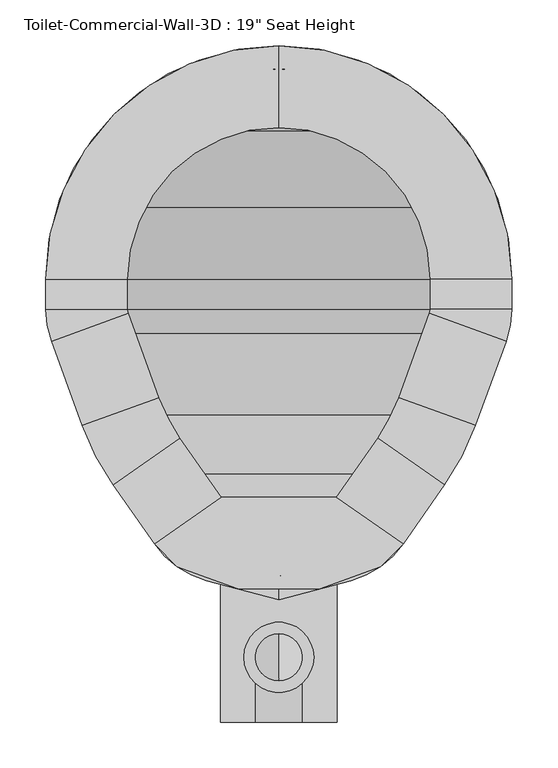
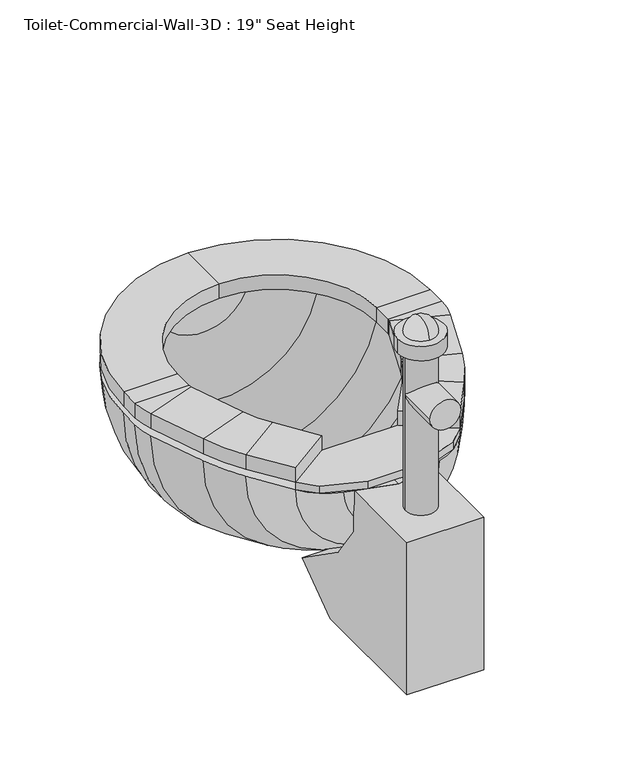
"""IFC4 building model written with IfcOpenShell, lengths in millimetres: flow terminal geometry."""

from ifc_helpers import new_model, si_unit, point, frame, frame_2d, origin, place, context, project, spatial, polyline, circle_curve, ellipse_curve, trimmed, segment, composite_curve, outline, extrude, source, transform, mapped, element, save
from ifc_brep_helpers import plane_surface, cylinder_surface, revolved_surface, advanced_brep


def flow_terminal_5536e1bb(model_context):
    return source(origin(), model_context, "Body", "SolidModel", [
        extrude(outline(polyline([(467.7541169, 332.3472495), (540.5767337, 281.3563043), (515.6262519, 256.4058226), (449.563909, 232.3610961), (360.2423986, 232.3610961), (294.1800557, 256.4058226), (269.229574, 281.3563043), (342.0521907, 332.3472495), (467.7541169, 332.3472495)])), frame((0.0, 0.0, 444.5), z_axis=(0.0, 0.0, 1.0), x_axis=(1.0, 0.0, 0.0)), (0.0, 0.0, 1.0), 12.7),
        advanced_brep(
        [(467.7541169, 332.3472495, 457.2), (540.5767337, 281.3563043, 457.2), (540.5767337, 281.3563043, 482.6), (467.7541169, 332.3472495, 482.6), (512.8583992, 396.7628403, 457.2), (585.6810159, 345.7718951, 457.2), (585.6810159, 345.7718951, 482.6), (512.8583992, 396.7628403, 482.6), (619.360053, 410.4687234, 457.2), (535.821379, 440.8743141, 457.2), (619.360053, 410.4687234, 482.6), (535.821379, 440.8743141, 482.6), (569.2372501, 532.6836654, 457.2), (652.7759241, 502.2780747, 457.2), (652.7759241, 502.2780747, 482.6), (569.2372501, 532.6836654, 482.6), (658.9031538, 537.0273212, 457.2), (570.0031538, 537.0273212, 457.2), (658.9031538, 537.0273212, 482.6), (570.0031538, 537.0273212, 482.6), (570.0031538, 569.9125, 457.2), (658.9031538, 569.9125, 457.2), (658.9031538, 569.9125, 482.6), (570.0031538, 569.9125, 482.6), (404.9031538, 823.9125, 457.2), (404.9031538, 735.0125, 457.2), (404.9031538, 823.9125, 482.6), (404.9031538, 735.0125, 482.6), (150.9031538, 569.9125, 457.2), (239.8031538, 569.9125, 457.2), (150.9031538, 569.9125, 482.6), (239.8031538, 569.9125, 482.6), (239.8031538, 537.0273212, 457.2), (150.9031538, 537.0273212, 457.2), (150.9031538, 537.0273212, 482.6), (239.8031538, 537.0273212, 482.6), (157.0303835, 502.2780747, 457.2), (240.5690575, 532.6836654, 457.2), (157.0303835, 502.2780747, 482.6), (240.5690575, 532.6836654, 482.6), (273.9849286, 440.8743141, 457.2), (190.4462546, 410.4687234, 457.2), (190.4462546, 410.4687234, 482.6), (273.9849286, 440.8743141, 482.6), (224.1252917, 345.7718951, 457.2), (296.9479084, 396.7628403, 457.2), (224.1252917, 345.7718951, 482.6), (296.9479084, 396.7628403, 482.6), (342.0521907, 332.3472495, 457.2), (342.0521907, 332.3472495, 482.6), (269.229574, 281.3563043, 482.6), (269.229574, 281.3563043, 457.2)],
        [
            (0, 1),
            (1, 2),
            (2, 3),
            (3, 0),
            (0, 4),
            (4, 5),
            (5, 1),
            (5, 6),
            (6, 2),
            (6, 7),
            (7, 3),
            (7, 4),
            (8, 5, circle_curve(frame((356.8099347, 506.0291514, 457.2), z_axis=(0.0, 0.0, -1.0), x_axis=(0.81915204428899, -0.5735764363510486, 0.0)), 279.4)),
            (4, 9, circle_curve(frame((356.8099347, 506.0291514, 457.2), z_axis=(0.0, 0.0, 1.0), x_axis=(0.81915204428899, -0.5735764363510486, 0.0)), 190.5)),
            (9, 8),
            (10, 6, circle_curve(frame((356.8099347, 506.0291514, 482.6), z_axis=(0.0, 0.0, -1.0), x_axis=(0.81915204428899, -0.5735764363510486, 0.0)), 279.4)),
            (8, 10),
            (11, 7, circle_curve(frame((356.8099347, 506.0291514, 482.6), z_axis=(0.0, 0.0, -1.0), x_axis=(0.81915204428899, -0.5735764363510486, 0.0)), 190.5)),
            (10, 11),
            (11, 9),
            (9, 12),
            (12, 13),
            (13, 8),
            (13, 14),
            (14, 10),
            (14, 15),
            (15, 11),
            (15, 12),
            (16, 13, circle_curve(frame((557.3031538, 537.0273212, 457.2), z_axis=(0.0, 0.0, -1.0), x_axis=(0.939692620785906, -0.34202014332567526, 0.0)), 101.6)),
            (12, 17, circle_curve(frame((557.3031538, 537.0273212, 457.2), z_axis=(0.0, 0.0, 1.0), x_axis=(0.939692620785906, -0.34202014332567526, 0.0)), 12.7)),
            (17, 16),
            (18, 14, circle_curve(frame((557.3031538, 537.0273212, 482.6), z_axis=(0.0, 0.0, -1.0), x_axis=(0.939692620785906, -0.34202014332567526, 0.0)), 101.6)),
            (16, 18),
            (19, 15, circle_curve(frame((557.3031538, 537.0273212, 482.6), z_axis=(0.0, 0.0, -1.0), x_axis=(0.939692620785906, -0.34202014332567526, 0.0)), 12.7)),
            (18, 19),
            (19, 17),
            (17, 20),
            (20, 21),
            (21, 16),
            (21, 22),
            (22, 18),
            (22, 23),
            (23, 19),
            (23, 20),
            (24, 21, circle_curve(frame((404.9031538, 569.9125, 457.2), z_axis=(0.0, 0.0, -1.0), x_axis=(1.0, 0.0, 0.0)), 254.0)),
            (20, 25, circle_curve(frame((404.9031538, 569.9125, 457.2), z_axis=(0.0, 0.0, 1.0), x_axis=(1.0, 0.0, 0.0)), 165.1)),
            (25, 24),
            (26, 22, circle_curve(frame((404.9031538, 569.9125, 482.6), z_axis=(0.0, 0.0, -1.0), x_axis=(1.0, 0.0, 0.0)), 254.0)),
            (24, 26),
            (27, 23, circle_curve(frame((404.9031538, 569.9125, 482.6), z_axis=(0.0, 0.0, -1.0), x_axis=(1.0, 0.0, 0.0)), 165.1)),
            (26, 27),
            (27, 25),
            (28, 24, circle_curve(frame((404.9031538, 569.9125, 457.2), z_axis=(0.0, 0.0, -1.0), x_axis=(0.0, 1.0, 0.0)), 254.0)),
            (25, 29, circle_curve(frame((404.9031538, 569.9125, 457.2), z_axis=(0.0, 0.0, 1.0), x_axis=(0.0, 1.0, 0.0)), 165.1)),
            (29, 28),
            (30, 26, circle_curve(frame((404.9031538, 569.9125, 482.6), z_axis=(0.0, 0.0, -1.0), x_axis=(0.0, 1.0, 0.0)), 254.0)),
            (28, 30),
            (31, 27, circle_curve(frame((404.9031538, 569.9125, 482.6), z_axis=(0.0, 0.0, -1.0), x_axis=(0.0, 1.0, 0.0)), 165.1)),
            (30, 31),
            (31, 29),
            (29, 32),
            (32, 33),
            (33, 28),
            (33, 34),
            (34, 30),
            (34, 35),
            (35, 31),
            (35, 32),
            (36, 33, circle_curve(frame((252.5031538, 537.0273212, 457.2), z_axis=(0.0, 0.0, -1.0), x_axis=(-1.0, 0.0, 0.0)), 101.6)),
            (32, 37, circle_curve(frame((252.5031538, 537.0273212, 457.2), z_axis=(0.0, 0.0, 1.0), x_axis=(-1.0, 0.0, 0.0)), 12.7)),
            (37, 36),
            (38, 34, circle_curve(frame((252.5031538, 537.0273212, 482.6), z_axis=(0.0, 0.0, -1.0), x_axis=(-1.0, 0.0, 0.0)), 101.6)),
            (36, 38),
            (39, 35, circle_curve(frame((252.5031538, 537.0273212, 482.6), z_axis=(0.0, 0.0, -1.0), x_axis=(-1.0, 0.0, 0.0)), 12.7)),
            (38, 39),
            (39, 37),
            (37, 40),
            (40, 41),
            (41, 36),
            (41, 42),
            (42, 38),
            (42, 43),
            (43, 39),
            (43, 40),
            (44, 41, circle_curve(frame((452.9963729, 506.0291514, 457.2), z_axis=(0.0, 0.0, -1.0), x_axis=(-0.9396926207859088, -0.34202014332566766, 0.0)), 279.4)),
            (40, 45, circle_curve(frame((452.9963729, 506.0291514, 457.2), z_axis=(0.0, 0.0, 1.0), x_axis=(-0.9396926207859088, -0.34202014332566766, 0.0)), 190.5)),
            (45, 44),
            (46, 42, circle_curve(frame((452.9963729, 506.0291514, 482.6), z_axis=(0.0, 0.0, -1.0), x_axis=(-0.9396926207859088, -0.34202014332566766, 0.0)), 279.4)),
            (44, 46),
            (47, 43, circle_curve(frame((452.9963729, 506.0291514, 482.6), z_axis=(0.0, 0.0, -1.0), x_axis=(-0.9396926207859088, -0.34202014332566766, 0.0)), 190.5)),
            (46, 47),
            (47, 45),
            (48, 49),
            (49, 50),
            (50, 51),
            (51, 48),
            (45, 48),
            (51, 44),
            (50, 46),
            (49, 47),
        ],
        [
            plane_surface(frame((540.5767337, 281.3563043, 541.2203184), z_axis=(-0.5735764363510383, -0.8191520442889972, 0.0), x_axis=(0.8191520442889972, -0.5735764363510383, 0.0))),
            plane_surface(frame((467.7541169, 332.3472495, 457.2), z_axis=(0.0, 0.0, -1.0000000000000002), x_axis=(0.5735764363510385, 0.8191520442889972, 0.0))),
            plane_surface(frame((540.5767337, 281.3563043, 457.2), z_axis=(0.8191520442889973, -0.5735764363510382, 0.0), x_axis=(0.5735764363510382, 0.8191520442889973, 0.0))),
            plane_surface(frame((540.5767337, 281.3563043, 482.6), z_axis=(0.0, 0.0, 1.0), x_axis=(0.5735764363510382, 0.8191520442889973, 0.0))),
            plane_surface(frame((467.7541169, 332.3472495, 482.6), z_axis=(-0.8191520442889975, 0.5735764363510379, 0.0), x_axis=(0.5735764363510379, 0.8191520442889975, 0.0))),
            plane_surface(frame((356.8099347, 506.0291514, 457.2), z_axis=(0.0, 0.0, -1.0), x_axis=(0.81915204428899, -0.5735764363510486, 0.0))),
            cylinder_surface(frame((356.8099347, 506.0291514, 444.5), z_axis=(0.0, 0.0, 1.0), x_axis=(0.81915204428899, -0.5735764363510486, 0.0)), 279.4),
            plane_surface(frame((356.8099347, 506.0291514, 482.6), z_axis=(0.0, 0.0, 1.0), x_axis=(0.81915204428899, -0.5735764363510486, 0.0))),
            revolved_surface(polyline([(512.8583991370526, 396.7628402751252, 482.6), (512.8583991370526, 396.7628402751252, 457.2)]), (356.8099347, 506.0291514, 444.5), (0.0, 0.0, 1.0)),
            plane_surface(frame((535.821379, 440.8743141, 457.2), z_axis=(0.0, 0.0, -1.0000000000000002), x_axis=(0.3420201433256652, 0.9396926207859098, 0.0))),
            plane_surface(frame((619.360053, 410.4687234, 457.2), z_axis=(0.9396926207859093, -0.34202014332566616, 0.0), x_axis=(0.34202014332566616, 0.9396926207859093, 0.0))),
            plane_surface(frame((619.360053, 410.4687234, 482.6), z_axis=(0.0, 0.0, 1.0), x_axis=(0.34202014332566616, 0.9396926207859093, 0.0))),
            plane_surface(frame((535.821379, 440.8743141, 482.6), z_axis=(-0.9396926207859098, 0.3420201433256652, 0.0), x_axis=(0.3420201433256652, 0.9396926207859098, 0.0))),
            plane_surface(frame((557.3031538, 537.0273212, 457.2), z_axis=(0.0, 0.0, -1.0), x_axis=(0.939692620785906, -0.34202014332567526, 0.0))),
            cylinder_surface(frame((557.3031538, 537.0273212, 444.5), z_axis=(0.0, 0.0, 1.0), x_axis=(0.939692620785906, -0.34202014332567526, 0.0)), 101.6),
            plane_surface(frame((557.3031538, 537.0273212, 482.6), z_axis=(0.0, 0.0, 1.0), x_axis=(0.939692620785906, -0.34202014332567526, 0.0))),
            revolved_surface(polyline([(569.237250083981, 532.6836653797639, 482.6), (569.237250083981, 532.6836653797639, 457.2)]), (557.3031538, 537.0273212, 444.5), (0.0, 0.0, 1.0)),
            plane_surface(frame((570.0031538, 537.0273212, 457.2), z_axis=(0.0, 0.0, -1.0), x_axis=(0.0, 1.0, 0.0))),
            plane_surface(frame((658.9031538, 537.0273212, 457.2), z_axis=(1.0, 0.0, 0.0), x_axis=(0.0, 1.0, 0.0))),
            plane_surface(frame((658.9031538, 537.0273212, 482.6), z_axis=(0.0, 0.0, 1.0), x_axis=(0.0, 1.0, 0.0))),
            plane_surface(frame((570.0031538, 537.0273212, 482.6), z_axis=(-1.0, 0.0, 0.0), x_axis=(0.0, 1.0, 0.0))),
            plane_surface(frame((404.9031538, 569.9125, 457.2), z_axis=(0.0, 0.0, -1.0), x_axis=(1.0, 0.0, 0.0))),
            cylinder_surface(frame((404.9031538, 569.9125, 444.5), z_axis=(0.0, 0.0, 1.0), x_axis=(1.0, 0.0, 0.0)), 254.0),
            plane_surface(frame((404.9031538, 569.9125, 482.6), z_axis=(0.0, 0.0, 1.0), x_axis=(1.0, 0.0, 0.0))),
            revolved_surface(polyline([(570.0031538, 569.9125, 482.6), (570.0031538, 569.9125, 457.2)]), (404.9031538, 569.9125, 444.5), (0.0, 0.0, 1.0)),
            plane_surface(frame((404.9031538, 569.9125, 457.2), z_axis=(0.0, 0.0, -1.0), x_axis=(0.0, 1.0, 0.0))),
            cylinder_surface(frame((404.9031538, 569.9125, 444.5), z_axis=(0.0, 0.0, 1.0), x_axis=(0.0, 1.0, 0.0)), 254.0),
            plane_surface(frame((404.9031538, 569.9125, 482.6), z_axis=(0.0, 0.0, 1.0), x_axis=(0.0, 1.0, 0.0))),
            revolved_surface(polyline([(404.9031538, 735.0125, 482.6), (404.9031538, 735.0125, 457.2)]), (404.9031538, 569.9125, 444.5), (0.0, 0.0, 1.0)),
            plane_surface(frame((239.8031538, 569.9125, 457.2), z_axis=(0.0, 0.0, -1.0), x_axis=(0.0, -1.0, 0.0))),
            plane_surface(frame((150.9031538, 569.9125, 457.2), z_axis=(-1.0, 0.0, 0.0), x_axis=(0.0, -1.0, 0.0))),
            plane_surface(frame((150.9031538, 569.9125, 482.6), z_axis=(0.0, 0.0, 1.0), x_axis=(0.0, -1.0, 0.0))),
            plane_surface(frame((239.8031538, 569.9125, 482.6), z_axis=(1.0, 0.0, 0.0), x_axis=(0.0, -1.0, 0.0))),
            plane_surface(frame((252.5031538, 537.0273212, 457.2), z_axis=(0.0, 0.0, -1.0), x_axis=(-1.0, 0.0, 0.0))),
            cylinder_surface(frame((252.5031538, 537.0273212, 444.5), z_axis=(0.0, 0.0, 1.0), x_axis=(-1.0, 0.0, 0.0)), 101.6),
            plane_surface(frame((252.5031538, 537.0273212, 482.6), z_axis=(0.0, 0.0, 1.0), x_axis=(-1.0, 0.0, 0.0))),
            revolved_surface(polyline([(239.80315380000002, 537.0273212, 482.6), (239.80315380000002, 537.0273212, 457.2)]), (252.5031538, 537.0273212, 444.5), (0.0, 0.0, 1.0)),
            plane_surface(frame((240.5690575, 532.6836654, 457.2), z_axis=(0.0, 0.0, -1.0), x_axis=(0.3420201433256562, -0.939692620785913, 0.0))),
            plane_surface(frame((157.0303835, 502.2780747, 457.2), z_axis=(-0.939692620785913, -0.34202014332565617, 0.0), x_axis=(0.34202014332565617, -0.939692620785913, 0.0))),
            plane_surface(frame((157.0303835, 502.2780747, 482.6), z_axis=(0.0, 0.0, 1.0), x_axis=(0.3420201433256559, -0.9396926207859131, 0.0))),
            plane_surface(frame((240.5690575, 532.6836654, 482.6), z_axis=(0.939692620785913, 0.3420201433256562, 0.0), x_axis=(0.3420201433256562, -0.939692620785913, 0.0))),
            plane_surface(frame((452.9963729, 506.0291514, 457.2), z_axis=(0.0, 0.0, -1.0), x_axis=(-0.9396926207859088, -0.34202014332566766, 0.0))),
            cylinder_surface(frame((452.9963729, 506.0291514, 444.5), z_axis=(0.0, 0.0, 1.0), x_axis=(-0.9396926207859088, -0.34202014332566766, 0.0)), 279.4),
            plane_surface(frame((452.9963729, 506.0291514, 482.6), z_axis=(0.0, 0.0, 1.0), x_axis=(-0.9396926207859088, -0.34202014332566766, 0.0))),
            revolved_surface(polyline([(273.98492864028435, 440.8743140964603, 482.6), (273.98492864028435, 440.8743140964603, 457.2)]), (452.9963729, 506.0291514, 444.5), (0.0, 0.0, 1.0)),
            plane_surface(frame((269.229574, 281.3563043, 347.7796816), z_axis=(0.5735764363510499, -0.8191520442889891, 0.0), x_axis=(0.8191520442889891, 0.5735764363510499, 0.0))),
            plane_surface(frame((296.9479084, 396.7628403, 457.2), z_axis=(0.0, 0.0, -1.0000000000000002), x_axis=(0.57357643635105, -0.8191520442889891, 0.0))),
            plane_surface(frame((224.1252917, 345.7718951, 457.2), z_axis=(-0.819152044288989, -0.5735764363510502, 0.0), x_axis=(0.5735764363510502, -0.819152044288989, 0.0))),
            plane_surface(frame((224.1252917, 345.7718951, 482.6), z_axis=(0.0, 0.0, 1.0000000000000002), x_axis=(0.5735764363510502, -0.819152044288989, 0.0))),
            plane_surface(frame((296.9479084, 396.7628403, 482.6), z_axis=(0.8191520442889891, 0.57357643635105, 0.0), x_axis=(0.57357643635105, -0.8191520442889891, 0.0))),
        ],
        [
            (0, [[1, 2, 3, 4]]),
            (1, [[-1, 5, 6, 7]]),
            (2, [[-2, -7, 8, 9]]),
            (3, [[-3, -9, 10, 11]]),
            (4, [[-4, -11, 12, -5]]),
            (5, [[13, -6, 14, 15]]),
            (6, [[16, -8, -13, 17]]),
            (7, [[18, -10, -16, 19]]),
            (8, [[-14, -12, -18, 20]]),
            (9, [[-15, 21, 22, 23]]),
            (10, [[-17, -23, 24, 25]]),
            (11, [[-19, -25, 26, 27]]),
            (12, [[-20, -27, 28, -21]]),
            (13, [[29, -22, 30, 31]]),
            (14, [[32, -24, -29, 33]]),
            (15, [[34, -26, -32, 35]]),
            (16, [[-30, -28, -34, 36]]),
            (17, [[-31, 37, 38, 39]]),
            (18, [[-33, -39, 40, 41]]),
            (19, [[-35, -41, 42, 43]]),
            (20, [[-36, -43, 44, -37]]),
            (21, [[45, -38, 46, 47]]),
            (22, [[48, -40, -45, 49]]),
            (23, [[50, -42, -48, 51]]),
            (24, [[-46, -44, -50, 52]]),
            (25, [[53, -47, 54, 55]]),
            (26, [[56, -49, -53, 57]]),
            (27, [[58, -51, -56, 59]]),
            (28, [[-54, -52, -58, 60]]),
            (29, [[-55, 61, 62, 63]]),
            (30, [[-57, -63, 64, 65]]),
            (31, [[-59, -65, 66, 67]]),
            (32, [[-60, -67, 68, -61]]),
            (33, [[69, -62, 70, 71]]),
            (34, [[72, -64, -69, 73]]),
            (35, [[74, -66, -72, 75]]),
            (36, [[-70, -68, -74, 76]]),
            (37, [[-71, 77, 78, 79]]),
            (38, [[-73, -79, 80, 81]]),
            (39, [[-75, -81, 82, 83]]),
            (40, [[-76, -83, 84, -77]]),
            (41, [[85, -78, 86, 87]]),
            (42, [[88, -80, -85, 89]]),
            (43, [[90, -82, -88, 91]]),
            (44, [[-86, -84, -90, 92]]),
            (45, [[93, 94, 95, 96]]),
            (46, [[-87, 97, -96, 98]]),
            (47, [[-89, -98, -95, 99]]),
            (48, [[-91, -99, -94, 100]]),
            (49, [[-92, -100, -93, -97]]),
        ],
    ),
        advanced_brep(
        [(491.7762702, 808.5944257, 444.5), (404.9031538, 823.9125, 444.5), (404.9031538, 798.5125, 444.5), (483.0889586, 784.7262331, 444.5), (566.547764, 731.5571102, 444.5), (619.7168869, 648.0983048, 444.5), (633.5031538, 569.9125, 444.5), (633.5031538, 537.0273212, 444.5), (628.9077315, 510.9653863, 444.5), (596.6355667, 422.2983422, 444.5), (562.9565296, 357.6015139, 444.5), (525.0728964, 303.4980786, 444.5), (468.1430637, 263.6353806, 444.5), (404.9031538, 246.6902978, 444.5), (404.9031538, 220.3942829, 444.5), (483.6469009, 241.4936063, 444.5), (540.5767337, 281.3563043, 444.5), (585.6810159, 345.7718951, 444.5), (619.360053, 410.4687234, 444.5), (652.7759241, 502.2780747, 444.5), (658.9031538, 537.0273212, 444.5), (658.9031538, 569.9125, 444.5), (643.5850795, 656.7856164, 444.5), (584.5082762, 749.5176224, 444.5), (318.0300374, 808.5944257, 444.5), (225.2980314, 749.5176224, 444.5), (166.2212281, 656.7856164, 444.5), (150.9031538, 569.9125, 444.5), (150.9031538, 537.0273212, 444.5), (157.0303835, 502.2780747, 444.5), (190.4462546, 410.4687234, 444.5), (224.1252917, 345.7718951, 444.5), (269.229574, 281.3563043, 444.5), (326.1594067, 241.4936063, 444.5), (341.663244, 263.6353806, 444.5), (284.7334112, 303.4980786, 444.5), (246.849778, 357.6015139, 444.5), (213.1707409, 422.2983422, 444.5), (180.8985761, 510.9653863, 444.5), (176.3031538, 537.0273212, 444.5), (176.3031538, 569.9125, 444.5), (190.0894207, 648.0983048, 444.5), (243.2585436, 731.5571102, 444.5), (326.7173491, 784.7262331, 444.5)],
        [
            (0, 1, circle_curve(frame((404.9031538, 569.9125, 444.5), z_axis=(0.0, 0.0, 1.0), x_axis=(1.0, 0.0, 0.0)), 254.0)),
            (1, 2),
            (2, 3, circle_curve(frame((404.9031538, 569.9125, 444.5), z_axis=(0.0, 0.0, -1.0), x_axis=(1.0, 0.0, 0.0)), 228.6)),
            (3, 4, circle_curve(frame((404.9031538, 569.9125, 444.5), z_axis=(0.0, 0.0, -1.0), x_axis=(1.0, 0.0, 0.0)), 228.6)),
            (4, 5, circle_curve(frame((404.9031538, 569.9125, 444.5), z_axis=(0.0, 0.0, -1.0), x_axis=(1.0, 0.0, 0.0)), 228.6)),
            (5, 6, circle_curve(frame((404.9031538, 569.9125, 444.5), z_axis=(0.0, 0.0, -1.0), x_axis=(1.0, 0.0, 0.0)), 228.6)),
            (6, 7),
            (7, 8, circle_curve(frame((557.3031538, 537.0273212, 444.5), z_axis=(0.0, 0.0, -1.0), x_axis=(1.0, 0.0, 0.0)), 76.2)),
            (8, 9),
            (9, 10, circle_curve(frame((334.0854485, 517.8587703, 444.5), z_axis=(0.0, 0.0, -1.0), x_axis=(1.0, 0.0, 0.0)), 279.4)),
            (10, 11),
            (11, 12, circle_curve(frame((441.8470487, 361.7734446, 444.5), z_axis=(0.0, 0.0, -1.0), x_axis=(1.0, 0.0, 0.0)), 101.6)),
            (12, 13),
            (13, 14),
            (14, 15),
            (15, 16, circle_curve(frame((457.350886, 339.6316703, 444.5), z_axis=(0.0, 0.0, 1.0), x_axis=(1.0, 0.0, 0.0)), 101.6)),
            (16, 17),
            (17, 18, circle_curve(frame((356.8099347, 506.0291514, 444.5), z_axis=(0.0, 0.0, 1.0), x_axis=(1.0, 0.0, 0.0)), 279.4)),
            (18, 19),
            (19, 20, circle_curve(frame((557.3031538, 537.0273212, 444.5), z_axis=(0.0, 0.0, 1.0), x_axis=(1.0, 0.0, 0.0)), 101.6)),
            (20, 21),
            (21, 22, circle_curve(frame((404.9031538, 569.9125, 444.5), z_axis=(0.0, 0.0, 1.0), x_axis=(1.0, 0.0, 0.0)), 254.0)),
            (22, 23, circle_curve(frame((404.9031538, 569.9125, 444.5), z_axis=(0.0, 0.0, 1.0), x_axis=(1.0, 0.0, 0.0)), 254.0)),
            (23, 0, circle_curve(frame((404.9031538, 569.9125, 444.5), z_axis=(0.0, 0.0, 1.0), x_axis=(1.0, 0.0, 0.0)), 254.0)),
            (24, 25, circle_curve(frame((404.9031538, 569.9125, 444.5), z_axis=(0.0, 0.0, 1.0), x_axis=(-1.0, 0.0, 0.0)), 254.0)),
            (25, 26, circle_curve(frame((404.9031538, 569.9125, 444.5), z_axis=(0.0, 0.0, 1.0), x_axis=(-1.0, 0.0, 0.0)), 254.0)),
            (26, 27, circle_curve(frame((404.9031538, 569.9125, 444.5), z_axis=(0.0, 0.0, 1.0), x_axis=(-1.0, 0.0, 0.0)), 254.0)),
            (27, 28),
            (28, 29, circle_curve(frame((252.5031538, 537.0273212, 444.5), z_axis=(0.0, 0.0, 1.0), x_axis=(-1.0, 0.0, 0.0)), 101.6)),
            (29, 30),
            (30, 31, circle_curve(frame((452.9963729, 506.0291514, 444.5), z_axis=(0.0, 0.0, 1.0), x_axis=(-1.0, 0.0, 0.0)), 279.4)),
            (31, 32),
            (32, 33, circle_curve(frame((352.4554217, 339.6316703, 444.5), z_axis=(0.0, 0.0, 1.0), x_axis=(-1.0, 0.0, 0.0)), 101.6)),
            (33, 14),
            (13, 34),
            (34, 35, circle_curve(frame((367.9592589, 361.7734446, 444.5), z_axis=(0.0, 0.0, -1.0), x_axis=(-1.0, 0.0, 0.0)), 101.6)),
            (35, 36),
            (36, 37, circle_curve(frame((475.7208592, 517.8587703, 444.5), z_axis=(0.0, 0.0, -1.0), x_axis=(-1.0, 0.0, 0.0)), 279.4)),
            (37, 38),
            (38, 39, circle_curve(frame((252.5031538, 537.0273212, 444.5), z_axis=(0.0, 0.0, -1.0), x_axis=(-1.0, 0.0, 0.0)), 76.2)),
            (39, 40),
            (40, 41, circle_curve(frame((404.9031538, 569.9125, 444.5), z_axis=(0.0, 0.0, -1.0), x_axis=(-1.0, 0.0, 0.0)), 228.6)),
            (41, 42, circle_curve(frame((404.9031538, 569.9125, 444.5), z_axis=(0.0, 0.0, -1.0), x_axis=(-1.0, 0.0, 0.0)), 228.6)),
            (42, 43, circle_curve(frame((404.9031538, 569.9125, 444.5), z_axis=(0.0, 0.0, -1.0), x_axis=(-1.0, 0.0, 0.0)), 228.6)),
            (43, 2, circle_curve(frame((404.9031538, 569.9125, 444.5), z_axis=(0.0, 0.0, -1.0), x_axis=(-1.0, 0.0, 0.0)), 228.6)),
            (1, 24, circle_curve(frame((404.9031538, 569.9125, 444.5), z_axis=(0.0, 0.0, 1.0), x_axis=(-1.0, 0.0, 0.0)), 254.0)),
            (0, 24, circle_curve(frame((404.9031538, 808.5944257, 444.5), z_axis=(0.0, 1.0, 0.0), x_axis=(1.0, 0.0, 0.0)), 86.8731164)),
            (43, 3, circle_curve(frame((404.9031538, 784.7262331, 444.5), z_axis=(0.0, -1.0, 0.0), x_axis=(1.0, 0.0, 0.0)), 78.1858048)),
            (42, 4, circle_curve(frame((404.9031538, 731.5571102, 444.5), z_axis=(0.0, -1.0, 0.0), x_axis=(1.0, 0.0, 0.0)), 161.6446102)),
            (41, 5, circle_curve(frame((404.9031538, 648.0983048, 444.5), z_axis=(0.0, -1.0, 0.0), x_axis=(1.0, 0.0, 0.0)), 214.8137331)),
            (40, 6, circle_curve(frame((404.9031538, 569.9125, 444.5), z_axis=(0.0, -1.0, 0.0), x_axis=(1.0, 0.0, 0.0)), 228.6)),
            (39, 7, circle_curve(frame((404.9031538, 537.0273212, 444.5), z_axis=(0.0, -1.0, 0.0), x_axis=(1.0, 0.0, 0.0)), 228.6)),
            (38, 8, circle_curve(frame((404.9031538, 510.9653863, 444.5), z_axis=(0.0, -1.0, 0.0), x_axis=(1.0, 0.0, 0.0)), 224.0045777)),
            (37, 9, circle_curve(frame((404.9031538, 422.2983422, 444.5), z_axis=(0.0, -1.0, 0.0), x_axis=(1.0, 0.0, 0.0)), 191.7324129)),
            (36, 10, circle_curve(frame((404.9031538, 357.6015139, 444.5), z_axis=(0.0, -1.0, 0.0), x_axis=(1.0, 0.0, 0.0)), 158.0533758)),
            (35, 11, circle_curve(frame((404.9031538, 303.4980786, 444.5), z_axis=(0.0, -1.0, 0.0), x_axis=(1.0, 0.0, 0.0)), 120.1697426)),
            (34, 12, circle_curve(frame((404.9031538, 263.6353806, 444.5), z_axis=(0.0, -1.0, 0.0), x_axis=(1.0, 0.0, 0.0)), 63.2399099)),
            (33, 15, circle_curve(frame((404.9031538, 241.4936063, 444.5), z_axis=(0.0, -1.0, 0.0), x_axis=(1.0, 0.0, 0.0)), 78.7437471)),
            (32, 16, circle_curve(frame((404.9031538, 281.3563043, 444.5), z_axis=(0.0, -1.0, 0.0), x_axis=(1.0, 0.0, 0.0)), 135.6735798)),
            (31, 17, circle_curve(frame((404.9031538, 345.7718951, 444.5), z_axis=(0.0, -1.0, 0.0), x_axis=(1.0, 0.0, 0.0)), 180.7778621)),
            (30, 18, circle_curve(frame((404.9031538, 410.4687234, 444.5), z_axis=(0.0, -1.0, 0.0), x_axis=(1.0, 0.0, 0.0)), 214.4568992)),
            (29, 19, circle_curve(frame((404.9031538, 502.2780747, 444.5), z_axis=(0.0, -1.0, 0.0), x_axis=(1.0, 0.0, 0.0)), 247.8727703)),
            (28, 20, circle_curve(frame((404.9031538, 537.0273212, 444.5), z_axis=(0.0, -1.0, 0.0), x_axis=(1.0, 0.0, 0.0)), 254.0)),
            (27, 21, circle_curve(frame((404.9031538, 569.9125, 444.5), z_axis=(0.0, -1.0, 0.0), x_axis=(1.0, 0.0, 0.0)), 254.0)),
            (26, 22, circle_curve(frame((404.9031538, 656.7856164, 444.5), z_axis=(0.0, -1.0, 0.0), x_axis=(1.0, 0.0, 0.0)), 238.6819257)),
            (25, 23, circle_curve(frame((404.9031538, 749.5176224, 444.5), z_axis=(0.0, -1.0, 0.0), x_axis=(1.0, 0.0, 0.0)), 179.6051224)),
        ],
        [
            plane_surface(frame((404.9031538, 929.1227448, 444.5), z_axis=(0.0, 0.0, 1.0), x_axis=(1.0, 0.0, 0.0))),
            plane_surface(frame((404.9031538, 929.1227448, 444.5), z_axis=(0.0, 0.0, 1.0), x_axis=(-1.0, 0.0, 0.0))),
            revolved_surface(trimmed(ellipse_curve(frame((404.9031538, 569.9125, 444.5), z_axis=(0.0, 0.0, 1.0), x_axis=(1.0, 0.0, 0.0)), 254.0, 254.0), [point((491.7762702, 808.5944257, 444.5))], [point((404.9031538, 823.9125, 444.5))], True, "CARTESIAN"), (404.9031538, 929.1227448, 444.5), (0.0, 1.0, 0.0)),
            revolved_surface(trimmed(ellipse_curve(frame((404.9031538, 569.9125, 444.5), z_axis=(0.0, 0.0, -1.0), x_axis=(1.0, 0.0, 0.0)), 228.6, 228.6), [point((404.9031538, 798.5125, 444.5))], [point((483.0889586, 784.7262331, 444.5))], True, "CARTESIAN"), (404.9031538, 929.1227448, 444.5), (0.0, 1.0, 0.0)),
            revolved_surface(trimmed(ellipse_curve(frame((404.9031538, 569.9125, 444.5), z_axis=(0.0, 0.0, -1.0), x_axis=(1.0, 0.0, 0.0)), 228.6, 228.6), [point((483.0889586, 784.7262331, 444.5))], [point((566.547764, 731.5571102, 444.5))], True, "CARTESIAN"), (404.9031538, 929.1227448, 444.5), (0.0, 1.0, 0.0)),
            revolved_surface(trimmed(ellipse_curve(frame((404.9031538, 569.9125, 444.5), z_axis=(0.0, 0.0, -1.0), x_axis=(1.0, 0.0, 0.0)), 228.6, 228.6), [point((566.547764, 731.5571102, 444.5))], [point((619.7168869, 648.0983048, 444.5))], True, "CARTESIAN"), (404.9031538, 929.1227448, 444.5), (0.0, 1.0, 0.0)),
            revolved_surface(trimmed(ellipse_curve(frame((404.9031538, 569.9125, 444.5), z_axis=(0.0, 0.0, -1.0), x_axis=(1.0, 0.0, 0.0)), 228.6, 228.6), [point((619.7168869, 648.0983048, 444.5))], [point((633.5031538, 569.9125, 444.5))], True, "CARTESIAN"), (404.9031538, 929.1227448, 444.5), (0.0, 1.0, 0.0)),
            revolved_surface(polyline([(633.5031538, 569.9125, 444.5), (633.5031538, 537.0273212, 444.5)]), (404.9031538, 929.1227448, 444.5), (0.0, 1.0, 0.0)),
            revolved_surface(trimmed(ellipse_curve(frame((557.3031538, 537.0273212, 444.5), z_axis=(0.0, 0.0, -1.0), x_axis=(1.0, 0.0, 0.0)), 76.2, 76.2), [point((633.5031538, 537.0273212, 444.5))], [point((628.9077315, 510.9653863, 444.5))], True, "CARTESIAN"), (404.9031538, 929.1227448, 444.5), (0.0, 1.0, 0.0)),
            revolved_surface(polyline([(628.9077315, 510.9653863, 444.5), (596.6355667, 422.2983422, 444.5)]), (404.9031538, 929.1227448, 444.5), (0.0, 1.0, 0.0)),
            revolved_surface(trimmed(ellipse_curve(frame((334.0854485, 517.8587703, 444.5), z_axis=(0.0, 0.0, -1.0), x_axis=(1.0, 0.0, 0.0)), 279.4, 279.4), [point((596.6355667, 422.2983422, 444.5))], [point((562.9565296, 357.6015139, 444.5))], True, "CARTESIAN"), (404.9031538, 929.1227448, 444.5), (0.0, 1.0, 0.0)),
            revolved_surface(polyline([(562.9565296, 357.6015139, 444.5), (525.0728964, 303.4980786, 444.5)]), (404.9031538, 929.1227448, 444.5), (0.0, 1.0, 0.0)),
            revolved_surface(trimmed(ellipse_curve(frame((441.8470487, 361.7734446, 444.5), z_axis=(0.0, 0.0, -1.0), x_axis=(1.0, 0.0, 0.0)), 101.6, 101.6), [point((525.0728964, 303.4980786, 444.5))], [point((468.1430637, 263.6353806, 444.5))], True, "CARTESIAN"), (404.9031538, 929.1227448, 444.5), (0.0, 1.0, 0.0)),
            revolved_surface(polyline([(468.1430637, 263.6353806, 444.5), (404.9031538, 246.6902978, 444.5)]), (404.9031538, 929.1227448, 444.5), (0.0, 1.0, 0.0)),
            revolved_surface(polyline([(404.9031538, 220.3942829, 444.5), (483.6469009, 241.4936063, 444.5)]), (404.9031538, 929.1227448, 444.5), (0.0, 1.0, 0.0)),
            revolved_surface(trimmed(ellipse_curve(frame((457.350886, 339.6316703, 444.5), z_axis=(0.0, 0.0, 1.0), x_axis=(1.0, 0.0, 0.0)), 101.6, 101.6), [point((483.6469009, 241.4936063, 444.5))], [point((540.5767337, 281.3563043, 444.5))], True, "CARTESIAN"), (404.9031538, 929.1227448, 444.5), (0.0, 1.0, 0.0)),
            revolved_surface(polyline([(540.5767337, 281.3563043, 444.5), (585.6810159, 345.7718951, 444.5)]), (404.9031538, 929.1227448, 444.5), (0.0, 1.0, 0.0)),
            revolved_surface(trimmed(ellipse_curve(frame((356.8099347, 506.0291514, 444.5), z_axis=(0.0, 0.0, 1.0), x_axis=(1.0, 0.0, 0.0)), 279.4, 279.4), [point((585.6810159, 345.7718951, 444.5))], [point((619.360053, 410.4687234, 444.5))], True, "CARTESIAN"), (404.9031538, 929.1227448, 444.5), (0.0, 1.0, 0.0)),
            revolved_surface(polyline([(619.360053, 410.4687234, 444.5), (652.7759241, 502.2780747, 444.5)]), (404.9031538, 929.1227448, 444.5), (0.0, 1.0, 0.0)),
            revolved_surface(trimmed(ellipse_curve(frame((557.3031538, 537.0273212, 444.5), z_axis=(0.0, 0.0, 1.0), x_axis=(1.0, 0.0, 0.0)), 101.6, 101.6), [point((652.7759241, 502.2780747, 444.5))], [point((658.9031538, 537.0273212, 444.5))], True, "CARTESIAN"), (404.9031538, 929.1227448, 444.5), (0.0, 1.0, 0.0)),
            cylinder_surface(frame((404.9031538, 929.1227448, 444.5), z_axis=(0.0, 1.0, 0.0), x_axis=(1.0, 0.0, 0.0)), 254.0),
            revolved_surface(trimmed(ellipse_curve(frame((404.9031538, 569.9125, 444.5), z_axis=(0.0, 0.0, 1.0), x_axis=(1.0, 0.0, 0.0)), 254.0, 254.0), [point((658.9031538, 569.9125, 444.5))], [point((643.5850795, 656.7856164, 444.5))], True, "CARTESIAN"), (404.9031538, 929.1227448, 444.5), (0.0, 1.0, 0.0)),
            revolved_surface(trimmed(ellipse_curve(frame((404.9031538, 569.9125, 444.5), z_axis=(0.0, 0.0, 1.0), x_axis=(1.0, 0.0, 0.0)), 254.0, 254.0), [point((643.5850795, 656.7856164, 444.5))], [point((584.5082762, 749.5176224, 444.5))], True, "CARTESIAN"), (404.9031538, 929.1227448, 444.5), (0.0, 1.0, 0.0)),
            revolved_surface(trimmed(ellipse_curve(frame((404.9031538, 569.9125, 444.5), z_axis=(0.0, 0.0, 1.0), x_axis=(1.0, 0.0, 0.0)), 254.0, 254.0), [point((584.5082762, 749.5176224, 444.5))], [point((491.7762702, 808.5944257, 444.5))], True, "CARTESIAN"), (404.9031538, 929.1227448, 444.5), (0.0, 1.0, 0.0)),
        ],
        [
            (0, [[1, 2, 3, 4, 5, 6, 7, 8, 9, 10, 11, 12, 13, 14, 15, 16, 17, 18, 19, 20, 21, 22, 23, 24]]),
            (1, [[25, 26, 27, 28, 29, 30, 31, 32, 33, 34, -14, 35, 36, 37, 38, 39, 40, 41, 42, 43, 44, 45, -2, 46]]),
            (2, [[-1, 47, -46]]),
            (3, [[48, -3, -45]]),
            (4, [[49, -4, -48, -44]]),
            (5, [[50, -5, -49, -43]]),
            (6, [[51, -6, -50, -42]]),
            (7, [[52, -7, -51, -41]]),
            (8, [[53, -8, -52, -40]]),
            (9, [[54, -9, -53, -39]]),
            (10, [[55, -10, -54, -38]]),
            (11, [[56, -11, -55, -37]]),
            (12, [[57, -12, -56, -36]]),
            (13, [[-13, -57, -35]]),
            (14, [[58, -15, -34]]),
            (15, [[59, -16, -58, -33]]),
            (16, [[60, -17, -59, -32]]),
            (17, [[61, -18, -60, -31]]),
            (18, [[62, -19, -61, -30]]),
            (19, [[63, -20, -62, -29]]),
            (20, [[64, -21, -63, -28]]),
            (21, [[65, -22, -64, -27]]),
            (22, [[66, -23, -65, -26]]),
            (23, [[-47, -24, -66, -25]]),
        ],
    ),
        advanced_brep(
        [(404.9031538, 132.2301912, 749.3), (404.9031538, 183.4653563, 749.3), (404.9031538, 157.8477737, 774.9175826), (404.9031538, 157.8477737, 749.3)],
        [
            (0, 1, circle_curve(frame((404.9031538, 157.8477737, 749.3), z_axis=(0.0, 0.0, 1.0), x_axis=(0.0, 1.0, 0.0)), 25.6175826)),
            (1, 2, circle_curve(frame((404.9031538, 157.8477737, 749.3), z_axis=(1.0, 0.0, 0.0), x_axis=(0.0, -1.0, 0.0)), 25.6175826)),
            (2, 0, circle_curve(frame((404.9031538, 157.8477737, 749.3), z_axis=(1.0, 0.0, 0.0), x_axis=(0.0, 1.0, 0.0)), 25.6175826)),
            (1, 0, circle_curve(frame((404.9031538, 157.8477737, 749.3), z_axis=(0.0, 0.0, 1.0), x_axis=(0.0, 1.0, 0.0)), 25.6175826)),
            (3, 1),
            (0, 3),
        ],
        [
            revolved_surface(trimmed(ellipse_curve(frame((404.9031538, 157.8477737, 749.3), z_axis=(-1.0, 0.0, 0.0), x_axis=(0.0, -1.0, 0.0)), 25.6175826, 25.6175826), [point((404.9031538, 157.8477737, 774.9175826))], [point((404.9031538, 183.4653563, 749.3))], True, "CARTESIAN"), (404.9031538, 157.8477737, 813.9277273), (0.0, 0.0, -1.0)),
            plane_surface(frame((404.9031538, 157.8477737, 749.3), z_axis=(0.0, 0.0, -1.0), x_axis=(0.0, 1.0, 0.0))),
        ],
        [
            (0, [[1, 2, 3]]),
            (0, [[4, -3, -2]]),
            (1, [[5, -1, 6]]),
            (1, [[-6, -4, -5]]),
        ],
    ),
        extrude(outline(composite_curve([segment(trimmed(circle_curve(frame_2d((404.9031538, 157.8477737)), 38.1), [point((366.8031538, 157.8477737))], [point((443.0031538, 157.8477737))], False, "CARTESIAN"), True, "CONTINUOUS"), segment(trimmed(circle_curve(frame_2d((404.9031538, 157.8477737)), 38.1), [point((443.0031538, 157.8477737))], [point((366.8031538, 157.8477737))], False, "CARTESIAN"), True, "CONTINUOUS")], self_intersect=False)), frame((0.0, 0.0, 723.9), z_axis=(0.0, 0.0, 1.0), x_axis=(1.0, 0.0, 0.0)), (0.0, 0.0, 1.0), 25.4),
        extrude(outline(composite_curve([segment(trimmed(circle_curve(frame_2d((645.8113641, 404.9031538)), 25.4), [point((645.8113641, 379.5031538))], [point((645.8113641, 430.3031538))], False, "CARTESIAN"), True, "CONTINUOUS"), segment(trimmed(circle_curve(frame_2d((645.8113641, 404.9031538)), 25.4), [point((645.8113641, 430.3031538))], [point((645.8113641, 379.5031538))], False, "CARTESIAN"), True, "CONTINUOUS")], self_intersect=False)), frame((0.0, 87.3125, 0.0), z_axis=(0.0, 1.0, 0.0), x_axis=(0.0, 0.0, 1.0)), (0.0, 0.0, 1.0), 70.64375),
        extrude(outline(composite_curve([segment(trimmed(circle_curve(frame_2d((404.9031538, 157.8477737)), 25.4), [point((379.5031538, 157.8477737))], [point((430.3031538, 157.8477737))], False, "CARTESIAN"), True, "CONTINUOUS"), segment(trimmed(circle_curve(frame_2d((404.9031538, 157.8477737)), 25.4), [point((430.3031538, 157.8477737))], [point((379.5031538, 157.8477737))], False, "CARTESIAN"), True, "CONTINUOUS")], self_intersect=False)), frame((0.0, 0.0, 444.5), z_axis=(0.0, 0.0, 1.0), x_axis=(1.0, 0.0, 0.0)), (0.0, 0.0, 1.0), 279.4),
        extrude(outline(polyline([(240.1162941, 444.5), (240.1162941, 370.896452), (283.8228185, 308.4770663), (387.8551282, 235.6328588), (307.3579017, 177.8), (87.3125, 177.8), (87.3125, 444.5), (240.1162941, 444.5)])), frame((341.4031538, 0.0, 0.0), z_axis=(1.0, 0.0, 0.0), x_axis=(0.0, 1.0, 0.0)), (0.0, 0.0, 1.0), 127.0),
    ])


if __name__ == "__main__":
    model = new_model("IFC4")
    model_context = context("Model", 3, world=origin())
    ifc_project = project(units=[si_unit("LENGTHUNIT", "METRE", prefix="MILLI")], contexts=[model_context])
    site = spatial("IfcSite", under=ifc_project)
    building = spatial("IfcBuilding", under=site)
    placement = place(None, origin())
    flow_terminal_shape = flow_terminal_5536e1bb(model_context)
    element("IfcFlowTerminal", 1, ObjectType="Toilet-Commercial-Wall-3D : 19\" Seat Height", at=placement, inside=building, context=model_context, shape_type="MappedRepresentation", body=[
        mapped(flow_terminal_shape, transform((0.0, 0.0, 0.0), x_axis=(1.0, 0.0, 0.0), y_axis=(0.0, 1.0, 0.0), z_axis=(0.0, 0.0, 1.0))),
    ])
    save(model, "model.ifc")
